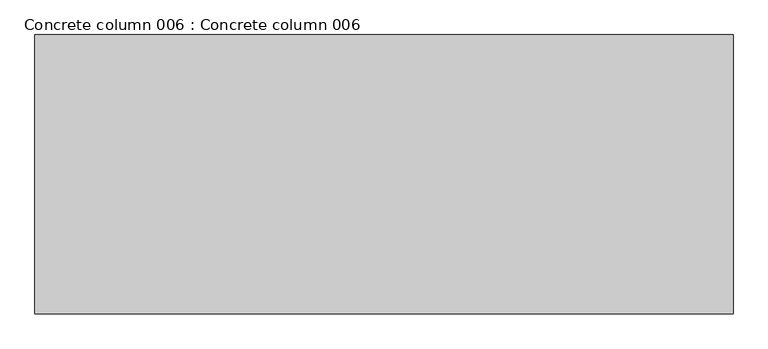
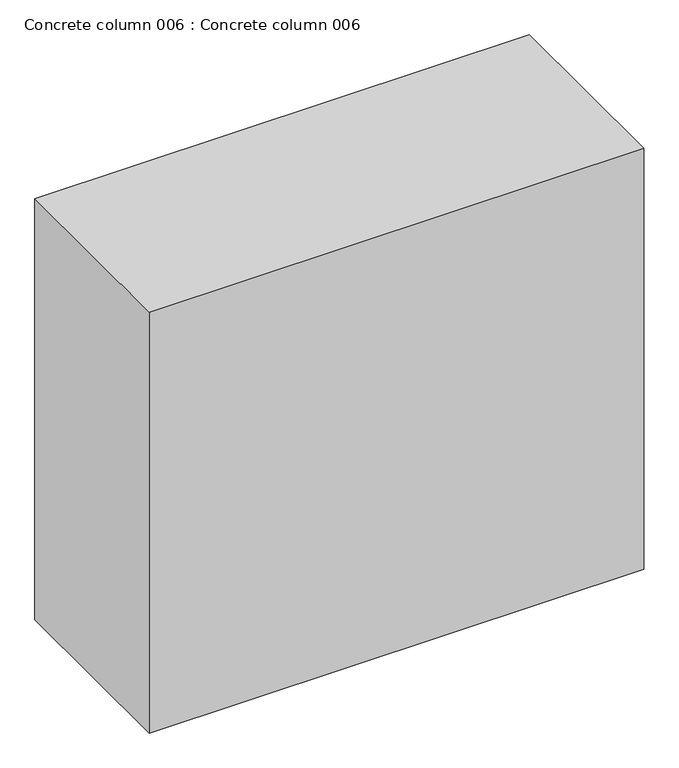
"""IFC4 building model written with IfcOpenShell, lengths in millimetres: proxy geometry, Concrete column 006 : Concrete column 006."""

import ifcopenshell
import ifcopenshell.guid

model = None  # the IFC model being written
_history = None  # IfcOwnerHistory: only IFC2X3 demands one
_inside = {}  # id of a spatial element -> (the spatial element, [elements in it])
_under = {}  # id of a project, library or spatial element -> (it, [spatial elements below it])
_declared = {}  # id of a project -> (the project, [libraries it declares])
_typed = {}  # id of a type object -> (the type object, [elements of that type])
_made_of = {}  # id of a material, layer set ... -> (it, [elements and type objects made of it])


def new_model(schema):
    """Start an empty IFC model of exactly this schema.

    Asked for "IFC4X3", IfcOpenShell would pick the latest addendum, in which some entities
    have other attributes; the version numbers below select the first issue.
    IFC2X3 requires an IfcOwnerHistory on every rooted entity: one is made here for all.
    """
    global model, _history
    if schema == "IFC4X3":
        model = ifcopenshell.file(schema_version=(4, 3, 0, 0))
    else:
        model = ifcopenshell.file(schema=schema)
    _inside.clear()
    _under.clear()
    _declared.clear()
    _typed.clear()
    _made_of.clear()
    _history = None
    if model.schema == "IFC2X3":
        org = make("IfcOrganization", Name="unknown")
        user = make(
            "IfcPersonAndOrganization",
            ThePerson=make("IfcPerson", FamilyName="unknown"),
            TheOrganization=org,
        )
        app = make(
            "IfcApplication",
            ApplicationDeveloper=org,
            Version="unknown",
            ApplicationFullName="unknown",
            ApplicationIdentifier="unknown",
        )
        _history = make(
            "IfcOwnerHistory",
            OwningUser=user,
            OwningApplication=app,
            ChangeAction="ADDED",
            CreationDate=0,
        )
    return model


def make(cls, **values):
    """One entity of the class cls with the attributes given. An attribute that is None is left unset."""
    return model.create_entity(
        cls, **{name: value for name, value in values.items() if value is not None}
    )


def rooted(cls, **values):
    """An entity with a GlobalId (a new one), such as an element, a storey or a relation."""
    return make(cls, GlobalId=ifcopenshell.guid.new(), OwnerHistory=_history, **values)


def si_unit(unit_type, name, prefix=None):
    """IfcSIUnit, for example si_unit("LENGTHUNIT", "METRE", prefix="MILLI")."""
    return make("IfcSIUnit", UnitType=unit_type, Prefix=prefix, Name=name)


def assignment(units):
    """IfcUnitAssignment: the units of a project."""
    return None if units is None else make("IfcUnitAssignment", Units=units)


def point(xyz):
    """IfcCartesianPoint."""
    return None if xyz is None else make("IfcCartesianPoint", Coordinates=xyz)


def direction(xyz):
    """IfcDirection."""
    return None if xyz is None else make("IfcDirection", DirectionRatios=xyz)


def frame(location, z_axis=None, x_axis=None):
    """IfcAxis2Placement3D, a coordinate frame: its origin and axes. An axis left out is left unset."""
    return make(
        "IfcAxis2Placement3D",
        Location=point(location),
        Axis=direction(z_axis),
        RefDirection=direction(x_axis),
    )


def origin():
    """The frame at (0, 0, 0) with its axes left unset."""
    return frame((0.0, 0.0, 0.0))


def place(relative_to, where):
    """IfcLocalPlacement: puts the frame where relative to a parent placement (None: the world)."""
    return make(
        "IfcLocalPlacement", PlacementRelTo=relative_to, RelativePlacement=where
    )


def context(
    kind, dimensions, precision=None, world=None, true_north=None, identifier=None
):
    """IfcGeometricRepresentationContext, for example the 3D "Model" context."""
    return make(
        "IfcGeometricRepresentationContext",
        ContextIdentifier=identifier,
        ContextType=kind,
        CoordinateSpaceDimension=dimensions,
        Precision=precision,
        WorldCoordinateSystem=world,
        TrueNorth=true_north,
    )


def project(units=None, contexts=None):
    """IfcProject with its units and contexts."""
    return rooted(
        "IfcProject",
        Name="project",
        RepresentationContexts=contexts,
        UnitsInContext=assignment(units),
    )


def spatial(cls, under=None, at=None, **own):
    """A site, building, storey or space (cls), placed at a placement, below another one or the project."""
    s = rooted(cls, ObjectPlacement=at, **own)
    if under is not None:
        _under.setdefault(under.id(), (under, []))[1].append(s)
    return s


def polyline(points):
    """IfcPolyline through the points."""
    return make("IfcPolyline", Points=[point(p) for p in points])


def outline(outer, holes=None, kind="AREA"):
    """IfcArbitraryClosedProfileDef: a profile drawn as a closed curve; with holes, ...WithVoids."""
    if holes is None:
        return make("IfcArbitraryClosedProfileDef", ProfileType=kind, OuterCurve=outer)
    return make(
        "IfcArbitraryProfileDefWithVoids",
        ProfileType=kind,
        OuterCurve=outer,
        InnerCurves=holes,
    )


def extrude(swept, where, along, depth):
    """IfcExtrudedAreaSolid: the profile swept, set in the frame where, extruded along a direction by depth."""
    return make(
        "IfcExtrudedAreaSolid",
        SweptArea=swept,
        Position=where,
        ExtrudedDirection=direction(along),
        Depth=depth,
    )


def shape(context_of_items, identifier, shape_type, items):
    """IfcShapeRepresentation: the items that make up one representation, for example the "Body"."""
    return make(
        "IfcShapeRepresentation",
        ContextOfItems=context_of_items,
        RepresentationIdentifier=identifier,
        RepresentationType=shape_type,
        Items=items,
    )


def source(mapping_origin, context_of_items, identifier, shape_type, items):
    """IfcRepresentationMap: a shape defined once, which mapped items show again and again."""
    return make(
        "IfcRepresentationMap",
        MappingOrigin=mapping_origin,
        MappedRepresentation=shape(context_of_items, identifier, shape_type, items),
    )


def transform(
    local_origin,
    x_axis=None,
    y_axis=None,
    z_axis=None,
    scale=None,
    scale2=None,
    scale3=None,
    uniform=True,
):
    """IfcCartesianTransformationOperator3D, or its non-uniform kind. x_axis, y_axis, z_axis: its Axis1, 2, 3."""
    if uniform:
        return make(
            "IfcCartesianTransformationOperator3D",
            Axis1=direction(x_axis),
            Axis2=direction(y_axis),
            LocalOrigin=point(local_origin),
            Scale=scale,
            Axis3=direction(z_axis),
        )
    return make(
        "IfcCartesianTransformationOperator3DnonUniform",
        Axis1=direction(x_axis),
        Axis2=direction(y_axis),
        LocalOrigin=point(local_origin),
        Scale=scale,
        Axis3=direction(z_axis),
        Scale2=scale2,
        Scale3=scale3,
    )


def mapped(mapping_source, mapping_target):
    """IfcMappedItem: shows the shape of a source again, moved by a transform."""
    return make(
        "IfcMappedItem", MappingSource=mapping_source, MappingTarget=mapping_target
    )


def made_of(thing, what):
    """Note that an element or type object is made of a material, layer set ...; save() writes the relation."""
    if what is not None:
        _made_of.setdefault(what.id(), (what, []))[1].append(thing)
    return thing


def element(
    cls,
    number,
    at=None,
    inside=None,
    cuts=None,
    type_object=None,
    material=None,
    context=None,
    identifier="Body",
    shape_type=None,
    held_by="IfcProductDefinitionShape",
    body=None,
    shapes=None,
    **own,
):
    """One element of the class cls, such as IfcWall. Its Tag is "e" and its number.

    at: its placement. inside: the storey or other place that contains it. cuts: it is an
    opening in that element (IfcRelVoidsElement). A single representation is given by context,
    identifier, shape_type and body (its items); several are given by shapes. held_by: the class
    of the entity that holds the representations. save() writes the other relations.
    """
    e = rooted(cls, Tag="e%d" % number, ObjectPlacement=at, **own)
    if body is not None:
        shapes = [shape(context, identifier, shape_type, body)]
    if shapes is not None:
        e.Representation = make(held_by, Representations=shapes)
    if inside is not None:
        _inside.setdefault(inside.id(), (inside, []))[1].append(e)
    if cuts is not None:
        rooted(
            "IfcRelVoidsElement", RelatingBuildingElement=cuts, RelatedOpeningElement=e
        )
    if type_object is not None:
        _typed.setdefault(type_object.id(), (type_object, []))[1].append(e)
    return made_of(e, material)


def aggregate(whole, parts):
    """IfcRelAggregates: a whole, such as a stair, and the parts it consists of."""
    return rooted("IfcRelAggregates", RelatingObject=whole, RelatedObjects=parts)


def save(model, path):
    """Write the relations noted so far, then the file.

    IfcRelAggregates (storeys below a building ...), IfcRelContainedInSpatialStructure (elements
    in a storey), IfcRelDefinesByType, IfcRelAssociatesMaterial and IfcRelDeclares: one each for
    every whole, place, type object, material and project.
    """
    for whole, parts in _under.values():
        aggregate(whole, parts)
    for where, things in _inside.values():
        rooted(
            "IfcRelContainedInSpatialStructure",
            RelatedElements=things,
            RelatingStructure=where,
        )
    for kind, things in _typed.values():
        rooted("IfcRelDefinesByType", RelatedObjects=things, RelatingType=kind)
    for what, things in _made_of.values():
        rooted("IfcRelAssociatesMaterial", RelatedObjects=things, RelatingMaterial=what)
    for by, libraries in _declared.values():
        rooted("IfcRelDeclares", RelatingContext=by, RelatedDefinitions=libraries)
    model.write(path)


def concrete_column_006_concrete_column_006_dd1dd6e8(model_context):
    return source(origin(), model_context, "Body", "SweptSolid", [
        extrude(outline(polyline([(38113.2710168, -21855.5529893), (37097.2710168, -21855.5529893), (37097.2710168, -21449.1529893), (38113.2710168, -21449.1529893), (38113.2710168, -21855.5529893)])), frame((0.0, 0.0, 1524.0), z_axis=(0.0, 0.0, 1.0), x_axis=(1.0, 0.0, 0.0)), (0.0, 0.0, 1.0), 914.4),
    ])


if __name__ == "__main__":
    model = new_model("IFC4")
    model_context = context("Model", 3, world=origin())
    ifc_project = project(units=[si_unit("LENGTHUNIT", "METRE", prefix="MILLI")], contexts=[model_context])
    site = spatial("IfcSite", under=ifc_project)
    building = spatial("IfcBuilding", under=site)
    placement = place(None, origin())
    concrete_column_006_concrete_column_006_shape = concrete_column_006_concrete_column_006_dd1dd6e8(model_context)
    element("IfcBuildingElementProxy", 1, Name="Concrete column 006 : Concrete column 006", ObjectType="Concrete column 006 : Concrete column 006", at=placement, inside=building, context=model_context, shape_type="MappedRepresentation", body=[
        mapped(concrete_column_006_concrete_column_006_shape, transform((0.0, 0.0, 0.0), x_axis=(1.0, 0.0, 0.0), y_axis=(0.0, 1.0, 0.0), z_axis=(0.0, 0.0, 1.0))),
    ])
    save(model, "model.ifc")
